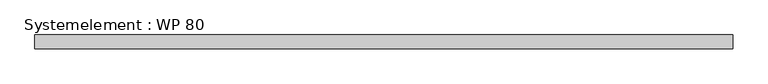
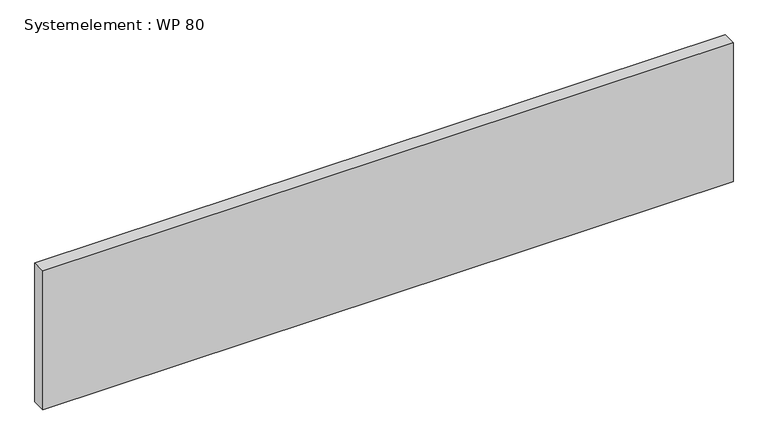
"""IFC4 building model written with IfcOpenShell, lengths in millimetres: plate geometry, Systemelement : WP 80."""

from ifc_helpers import new_model, si_unit, origin, origin_with_axes, place, context, project, spatial, polyline, outline, extrude, source, transform, mapped, element, save


def systemelement_wp_80_c94723dd(model_context):
    return source(origin(), model_context, "Body", "SweptSolid", [
        extrude(outline(polyline([(2000.0, -80.0), (-2000.0, -80.0), (-2000.0, 0.0), (2000.0, 0.0), (2000.0, -80.0)])), origin_with_axes(), (0.0, 0.0, 1.0), 851.6147161),
    ])


if __name__ == "__main__":
    model = new_model("IFC4")
    model_context = context("Model", 3, world=origin())
    ifc_project = project(units=[si_unit("LENGTHUNIT", "METRE", prefix="MILLI")], contexts=[model_context])
    site = spatial("IfcSite", under=ifc_project)
    building = spatial("IfcBuilding", under=site)
    placement = place(None, origin())
    systemelement_wp_80_shape = systemelement_wp_80_c94723dd(model_context)
    element("IfcPlate", 1, ObjectType="Systemelement : WP 80", at=placement, inside=building, context=model_context, shape_type="MappedRepresentation", body=[
        mapped(systemelement_wp_80_shape, transform((0.0, 0.0, 0.0), x_axis=(1.0, 0.0, 0.0), y_axis=(0.0, 1.0, 0.0), z_axis=(0.0, 0.0, 1.0))),
    ])
    save(model, "model.ifc")
